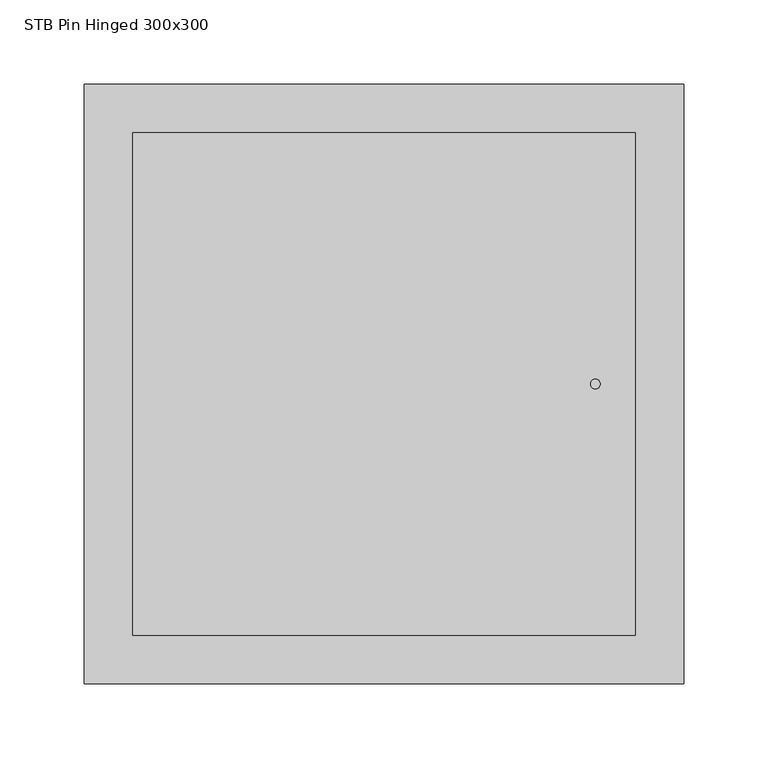
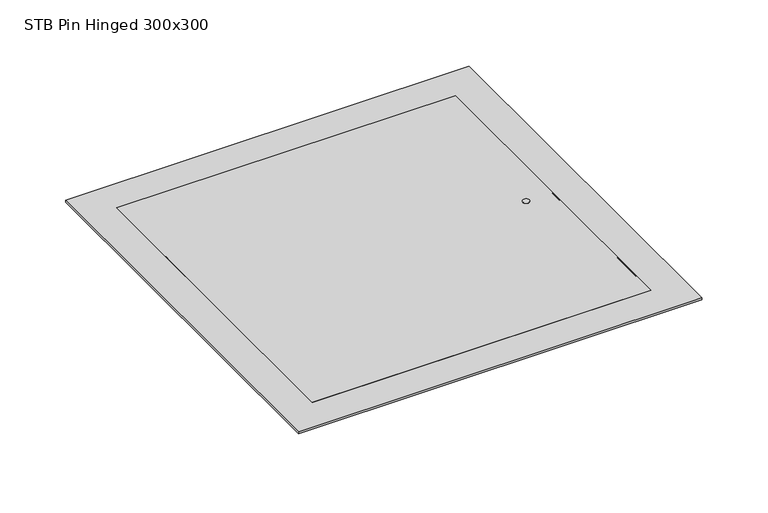
"""IFC4 building model written with IfcOpenShell, lengths in millimetres: proxy geometry, STB Pin Hinged 300x300."""

from ifc_helpers import new_model, si_unit, point, frame, frame_2d, origin, place, context, project, spatial, polyline, circle_curve, trimmed, segment, composite_curve, outline, extrude, faceted_brep, source, transform, mapped, element, save


def stb_pin_hinged_300x300_7639d2f5(model_context):
    return source(origin(), model_context, "Body", "SolidModel", [
        extrude(outline(polyline([(149.2558594, -149.2558594), (-149.2558594, -149.2558594), (-149.2558594, 149.2558594), (149.2558594, 149.2558594), (149.2558594, -149.2558594)])), frame((0.0, 0.0, -10.922), z_axis=(0.0, 0.0, 1.0), x_axis=(1.0, 0.0, 0.0)), (0.0, 0.0, 1.0), 12.7),
        extrude(outline(composite_curve([segment(trimmed(circle_curve(frame_2d((125.4433594, 0.0)), 2.8405391), [point((122.6028203, 0.0))], [point((128.2838984, 0.0))], False, "CARTESIAN"), True, "CONTINUOUS"), segment(trimmed(circle_curve(frame_2d((125.4433594, 0.0)), 2.8405391), [point((128.2838984, 0.0))], [point((122.6028203, 0.0))], False, "CARTESIAN"), True, "CONTINUOUS")], self_intersect=False)), frame((0.0, 0.0, 1.778), z_axis=(0.0, 0.0, 1.0), x_axis=(1.0, 0.0, 0.0)), (0.0, 0.0, 1.0), 0.79375),
        faceted_brep([(150.0, -150.0, -12.7), (150.0, 150.0, -12.7), (150.0, 150.0, 0.0), (150.0, -150.0, 0.0), (148.4125, -148.4125, 1.778), (148.4125, 148.4125, 1.778), (148.4125, 148.4125, -12.7), (148.4125, -148.4125, -12.7), (177.9300781, -177.9300781, 0.0), (177.9300781, 177.9300781, 0.0), (177.9300781, 177.9300781, 1.778), (177.9300781, -177.9300781, 1.778), (-150.0, 150.0, -12.7), (-150.0, 150.0, 0.0), (-148.4125, 148.4125, 1.778), (-148.4125, 148.4125, -12.7), (-177.9300781, 177.9300781, 0.0), (-177.9300781, 177.9300781, 1.778), (-150.0, -150.0, -12.7), (-150.0, -150.0, 0.0), (-148.4125, -148.4125, 1.778), (-148.4125, -148.4125, -12.7), (-177.9300781, -177.9300781, 0.0), (-177.9300781, -177.9300781, 1.778)], [[[0, 1, 2, 3]], [[4, 5, 6, 7]], [[8, 9, 10, 11]], [[1, 12, 13, 2]], [[5, 14, 15, 6]], [[9, 16, 17, 10]], [[12, 18, 19, 13]], [[14, 20, 21, 15]], [[16, 22, 23, 17]], [[9, 8, 22, 16], [3, 2, 13, 19]], [[18, 0, 3, 19]], [[1, 0, 18, 12], [7, 6, 15, 21]], [[20, 4, 7, 21]], [[11, 10, 17, 23], [5, 4, 20, 14]], [[22, 8, 11, 23]]]),
    ])


if __name__ == "__main__":
    model = new_model("IFC4")
    model_context = context("Model", 3, world=origin())
    ifc_project = project(units=[si_unit("LENGTHUNIT", "METRE", prefix="MILLI")], contexts=[model_context])
    site = spatial("IfcSite", under=ifc_project)
    building = spatial("IfcBuilding", under=site)
    placement = place(None, origin())
    stb_pin_hinged_300x300_shape = stb_pin_hinged_300x300_7639d2f5(model_context)
    element("IfcBuildingElementProxy", 1, Name="STB Pin Hinged 300x300", ObjectType="STB Pin Hinged 300x300", at=placement, inside=building, context=model_context, shape_type="MappedRepresentation", body=[
        mapped(stb_pin_hinged_300x300_shape, transform((0.0, 0.0, 0.0), x_axis=(1.0, 0.0, 0.0), y_axis=(0.0, 1.0, 0.0), z_axis=(0.0, 0.0, 1.0))),
    ])
    save(model, "model.ifc")
